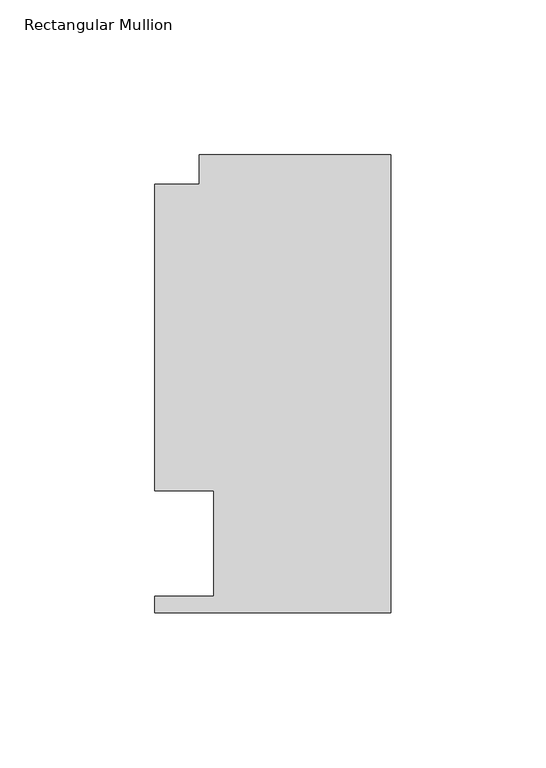
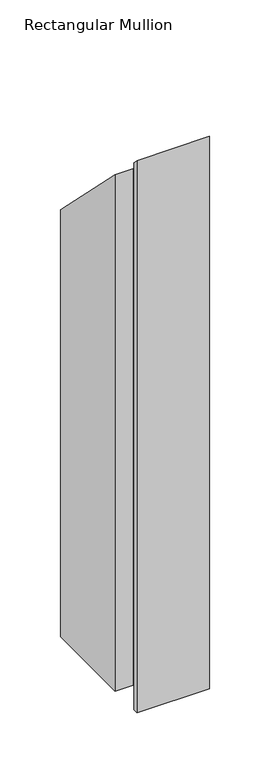
"""IFC4 building model written with IfcOpenShell, lengths in millimetres: member geometry, Rectangular Mullion."""

from ifc_helpers import new_model, si_unit, origin, place, context, project, spatial, faceted_brep, source, transform, mapped, element, save


def rectangular_mullion_94695643(model_context):
    return source(origin(), model_context, "Body", "Brep", [
        faceted_brep([(-61.9124999, 147.847839, -609.6), (0.0, 147.847839, -609.6), (0.0, 0.019839, -609.6), (-76.2, 0.019839, -609.6), (-76.2, 5.353839, -609.6), (-57.1499999, 5.353839, -609.6), (-57.1499999, 39.3898438, -609.6), (-76.1999999, 39.3898438, -609.6), (-76.1999999, 138.322839, -609.6), (-61.9124999, 138.322839, -609.6), (-61.9124999, 138.322839, -138.322839), (-61.9124999, 147.847839, -147.847839), (-76.1999999, 138.322839, -138.322839), (-76.1999999, 39.3898438, -39.3898438), (-57.1499999, 39.3898438, -39.3898438), (-57.1499999, 5.353839, -5.353839), (-76.2, 5.353839, -5.353839), (-76.2, 0.019839, -0.019839), (0.0, 0.019839, -0.019839), (0.0, 147.847839, -147.847839)], [[[0, 1, 2, 3, 4, 5, 6, 7, 8, 9]], [[10, 11, 0, 9]], [[12, 10, 9, 8]], [[13, 12, 8, 7]], [[14, 13, 7, 6]], [[15, 14, 6, 5]], [[16, 15, 5, 4]], [[17, 16, 4, 3]], [[18, 17, 3, 2]], [[19, 18, 2, 1]], [[11, 19, 1, 0]], [[11, 10, 12, 13, 14, 15, 16, 17, 18, 19]]]),
    ])


if __name__ == "__main__":
    model = new_model("IFC4")
    model_context = context("Model", 3, world=origin())
    ifc_project = project(units=[si_unit("LENGTHUNIT", "METRE", prefix="MILLI")], contexts=[model_context])
    site = spatial("IfcSite", under=ifc_project)
    building = spatial("IfcBuilding", under=site)
    placement = place(None, origin())
    rectangular_mullion_shape = rectangular_mullion_94695643(model_context)
    element("IfcMember", 1, ObjectType="Rectangular Mullion", at=placement, inside=building, context=model_context, shape_type="MappedRepresentation", body=[
        mapped(rectangular_mullion_shape, transform((0.0, 0.0, 0.0), x_axis=(1.0, 0.0, 0.0), y_axis=(0.0, 1.0, 0.0), z_axis=(0.0, 0.0, 1.0))),
    ])
    save(model, "model.ifc")
